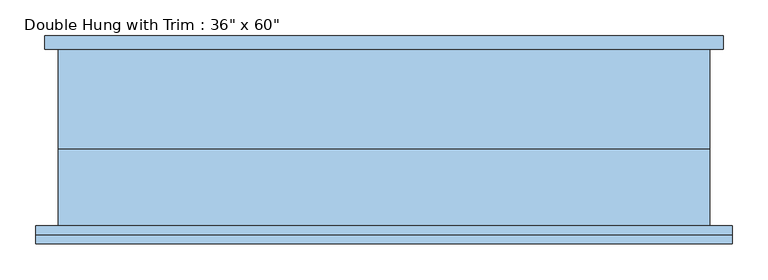
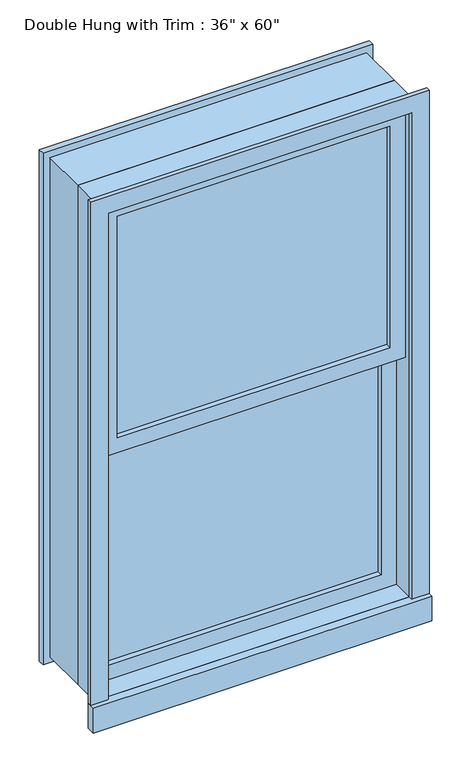
"""IFC4 building model written with IfcOpenShell, lengths in millimetres: window geometry."""

from ifc_helpers import new_model, si_unit, frame, origin, place, context, project, spatial, polyline, outline, extrude, source, transform, mapped, element, save


def window_48c99860(model_context):
    return source(origin(), model_context, "Body", "SweptSolid", [
        extrude(outline(polyline([(-393.7, -44.45), (-393.7, -31.75), (393.7, -31.75), (393.7, -44.45), (-393.7, -44.45)])), frame((0.0, 0.0, 673.1), z_axis=(0.0, 0.0, 1.0), x_axis=(1.0, 0.0, 0.0)), (0.0, 0.0, 1.0), 676.275),
        extrude(outline(polyline([(1393.825, -438.15), (628.65, -438.15), (628.65, 438.15), (1393.825, 438.15), (1393.825, -438.15)]), holes=[polyline([(1349.375, -393.7), (1349.375, 393.7), (673.1, 393.7), (673.1, -393.7), (1349.375, -393.7)])]), frame((0.0, -60.325, 0.0), z_axis=(0.0, 1.0, 0.0), x_axis=(0.0, 0.0, 1.0)), (0.0, 0.0, 1.0), 44.45),
        extrude(outline(polyline([(-488.95, -149.225), (-488.95, -123.825), (488.95, -123.825), (488.95, -149.225), (-488.95, -149.225)])), frame((0.0, 0.0, 552.45), z_axis=(0.0, 0.0, 1.0), x_axis=(1.0, 0.0, 0.0)), (0.0, 0.0, 1.0), 76.2),
        extrude(outline(polyline([(2114.55, -438.15), (2114.55, 438.15), (628.65, 438.15), (628.65, 488.95), (2165.35, 488.95), (2165.35, -488.95), (628.65, -488.95), (628.65, -438.15), (2114.55, -438.15)])), frame((0.0, -136.525, 0.0), z_axis=(0.0, 1.0, 0.0), x_axis=(0.0, 0.0, 1.0)), (0.0, 0.0, 1.0), 12.7),
        extrude(outline(polyline([(2152.65, 476.25), (2152.65, -476.25), (590.55, -476.25), (590.55, 476.25), (2152.65, 476.25)]), holes=[polyline([(2101.85, 425.45), (641.35, 425.45), (641.35, -425.45), (2101.85, -425.45), (2101.85, 425.45)])]), frame((0.0, 123.825, 0.0), z_axis=(0.0, 1.0, 0.0), x_axis=(0.0, 0.0, 1.0)), (0.0, 0.0, 1.0), 19.05),
        extrude(outline(polyline([(393.7, -76.2), (393.7, -88.9), (-393.7, -88.9), (-393.7, -76.2), (393.7, -76.2)])), frame((0.0, 0.0, 1393.825), z_axis=(0.0, 0.0, 1.0), x_axis=(1.0, 0.0, 0.0)), (0.0, 0.0, 1.0), 676.275),
        extrude(outline(polyline([(2114.55, -438.15), (1349.375, -438.15), (1349.375, 438.15), (2114.55, 438.15), (2114.55, -438.15)]), holes=[polyline([(2070.1, -393.7), (2070.1, 393.7), (1393.825, 393.7), (1393.825, -393.7), (2070.1, -393.7)])]), frame((0.0, -104.775, 0.0), z_axis=(0.0, 1.0, 0.0), x_axis=(0.0, 0.0, 1.0)), (0.0, 0.0, 1.0), 44.45),
        extrude(outline(polyline([(2133.6, -457.2), (609.6, -457.2), (609.6, 457.2), (2133.6, 457.2), (2133.6, -457.2)]), holes=[polyline([(2101.85, -425.45), (2101.85, 425.45), (641.35, 425.45), (641.35, -425.45), (2101.85, -425.45)])]), frame((0.0, -15.875, 0.0), z_axis=(0.0, 1.0, 0.0), x_axis=(0.0, 0.0, 1.0)), (0.0, 0.0, 1.0), 139.7),
        extrude(outline(polyline([(2133.6, 457.2), (2133.6, -457.2), (609.6, -457.2), (609.6, 457.2), (2133.6, 457.2)]), holes=[polyline([(2114.55, 438.15), (628.65, 438.15), (628.65, -438.15), (2114.55, -438.15), (2114.55, 438.15)])]), frame((0.0, -123.825, 0.0), z_axis=(0.0, 1.0, 0.0), x_axis=(0.0, 0.0, 1.0)), (0.0, 0.0, 1.0), 107.95),
    ])


if __name__ == "__main__":
    model = new_model("IFC4")
    model_context = context("Model", 3, world=origin())
    ifc_project = project(units=[si_unit("LENGTHUNIT", "METRE", prefix="MILLI")], contexts=[model_context])
    site = spatial("IfcSite", under=ifc_project)
    building = spatial("IfcBuilding", under=site)
    placement = place(None, origin())
    window_shape = window_48c99860(model_context)
    element("IfcWindow", 1, ObjectType="Double Hung with Trim : 36\" x 60\"", at=placement, inside=building, context=model_context, shape_type="MappedRepresentation", body=[
        mapped(window_shape, transform((0.0, 0.0, 0.0), x_axis=(1.0, 0.0, 0.0), y_axis=(0.0, 1.0, 0.0), z_axis=(0.0, 0.0, 1.0))),
    ])
    save(model, "model.ifc")
